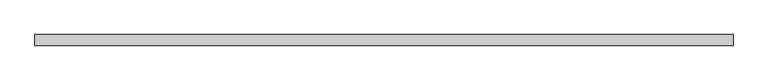
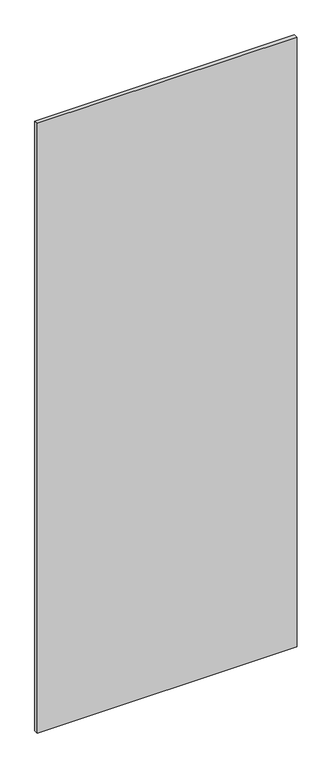
"""IFC4 building model written with IfcOpenShell, lengths in millimetres: proxy geometry."""

from ifc_helpers import new_model, si_unit, frame, origin, place, context, project, spatial, polyline, outline, extrude, source, transform, mapped, element, save


def specialty_equipment_bf00a690(model_context):
    return source(origin(), model_context, "Body", "SweptSolid", [
        extrude(outline(polyline([(607.7204, -9.525), (-607.7204, -9.525), (-607.7204, 9.525), (607.7204, 9.525), (607.7204, -9.525)])), frame((0.0, 0.0, 3.175), z_axis=(0.0, 0.0, 1.0), x_axis=(1.0, 0.0, 0.0)), (0.0, 0.0, 1.0), 3013.075),
    ])


if __name__ == "__main__":
    model = new_model("IFC4")
    model_context = context("Model", 3, world=origin())
    ifc_project = project(units=[si_unit("LENGTHUNIT", "METRE", prefix="MILLI")], contexts=[model_context])
    site = spatial("IfcSite", under=ifc_project)
    building = spatial("IfcBuilding", under=site)
    placement = place(None, origin())
    specialty_equipment_shape = specialty_equipment_bf00a690(model_context)
    element("IfcBuildingElementProxy", 1, Name="Specialty Equipment", at=placement, inside=building, context=model_context, shape_type="MappedRepresentation", body=[
        mapped(specialty_equipment_shape, transform((0.0, 0.0, 0.0), x_axis=(1.0, 0.0, 0.0), y_axis=(0.0, 1.0, 0.0), z_axis=(0.0, 0.0, 1.0))),
    ])
    save(model, "model.ifc")
